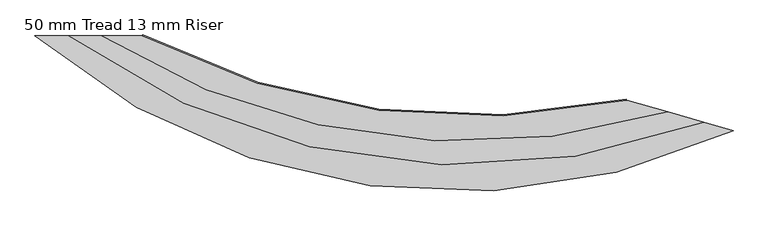
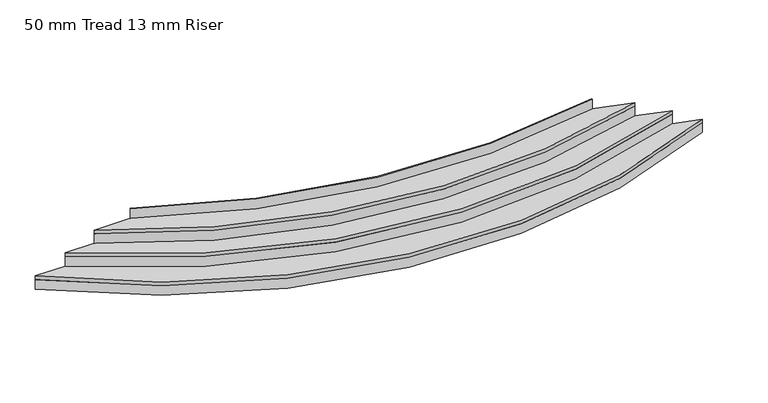
"""IFC4 building model written with IfcOpenShell, lengths in millimetres: stair flight geometry, 50 mm Tread 13 mm Riser."""

from ifc_helpers import new_model, si_unit, point, frame, frame_2d, origin, origin_with_axes, place, context, project, spatial, polyline, circle_curve, trimmed, segment, composite_curve, outline, extrude, source, transform, mapped, element, save


def stair_flight_50_mm_tread_13_mm_riser_0b162873(model_context):
    return source(origin(), model_context, "Body", "SweptSolid", [
        extrude(outline(composite_curve([segment(trimmed(circle_curve(frame_2d((134687.8478941, -28964.3638928)), 7686.4935283), [point((129705.6073516, -34817.5221802))], [point((137928.9652164, -35934.1085986))], True, "CARTESIAN"), True, "CONTINUOUS"), segment(polyline([(137928.9652164, -35934.1085986), (137947.2827682, -35939.361072)]), True, "CONTINUOUS"), segment(trimmed(circle_curve(frame_2d((134687.8478941, -28964.3638928)), 7698.9935283), [point((137947.2827682, -35939.361072))], [point((129686.3441791, -34817.5221802))], False, "CARTESIAN"), True, "CONTINUOUS"), segment(polyline([(129686.3441791, -34817.5221802), (129705.6073516, -34817.5221802)]), True, "CONTINUOUS")], self_intersect=False)), origin_with_axes(), (0.0, 0.0, 1.0), 135.1851852),
        extrude(outline(composite_curve([segment(trimmed(circle_curve(frame_2d((134797.9514044, -28323.7965634)), 8022.9492727), [point((130086.3441791, -34817.5221802))], [point((137602.6460398, -35840.5380804))], True, "CARTESIAN"), True, "CONTINUOUS"), segment(polyline([(137602.6460398, -35840.5380804), (137947.2827682, -35939.361072)]), True, "CONTINUOUS"), segment(trimmed(circle_curve(frame_2d((134687.8478941, -28964.3638928)), 7698.9935283), [point((137947.2827682, -35939.361072))], [point((129686.3441791, -34817.5221802))], False, "CARTESIAN"), True, "CONTINUOUS"), segment(polyline([(129686.3441791, -34817.5221802), (130086.3441791, -34817.5221802)]), True, "CONTINUOUS")], self_intersect=False)), frame((0.0, 0.0, 135.1851852), z_axis=(0.0, 0.0, 1.0), x_axis=(1.0, 0.0, 0.0)), (0.0, 0.0, 1.0), 50.0),
        extrude(outline(composite_curve([segment(trimmed(circle_curve(frame_2d((134797.9514044, -28323.7965634)), 8010.4492727), [point((130107.6608842, -34817.5221802))], [point((137582.3982882, -35834.732131))], True, "CARTESIAN"), True, "CONTINUOUS"), segment(polyline([(137582.3982882, -35834.732131), (137602.6460398, -35840.5380804)]), True, "CONTINUOUS"), segment(trimmed(circle_curve(frame_2d((134797.9514044, -28323.7965634)), 8022.9492727), [point((137602.6460398, -35840.5380804))], [point((130086.3441791, -34817.5221802))], False, "CARTESIAN"), True, "CONTINUOUS"), segment(polyline([(130086.3441791, -34817.5221802), (130107.6608842, -34817.5221802)]), True, "CONTINUOUS")], self_intersect=False)), frame((0.0, 0.0, 135.1851852), z_axis=(0.0, 0.0, 1.0), x_axis=(1.0, 0.0, 0.0)), (0.0, 0.0, 1.0), 185.1851852),
        extrude(outline(composite_curve([segment(trimmed(circle_curve(frame_2d((134809.8285129, -27923.8804808)), 8142.9623112), [point((130475.5997094, -34817.5221802))], [point((137171.3966955, -35716.8793208))], True, "CARTESIAN"), True, "CONTINUOUS"), segment(polyline([(137171.3966955, -35716.8793208), (137602.6460398, -35840.5380804)]), True, "CONTINUOUS"), segment(trimmed(circle_curve(frame_2d((134797.9514044, -28323.7965634)), 8022.9492727), [point((137602.6460398, -35840.5380804))], [point((130086.3441791, -34817.5221802))], False, "CARTESIAN"), True, "CONTINUOUS"), segment(polyline([(130086.3441791, -34817.5221802), (130475.5997094, -34817.5221802)]), True, "CONTINUOUS")], self_intersect=False)), frame((0.0, 0.0, 320.3703704), z_axis=(0.0, 0.0, 1.0), x_axis=(1.0, 0.0, 0.0)), (0.0, 0.0, 1.0), 50.0),
        extrude(outline(composite_curve([segment(trimmed(circle_curve(frame_2d((134809.8285129, -27923.8804808)), 8130.4623112), [point((130499.1300181, -34817.5221802))], [point((137149.2097072, -35710.5173043))], True, "CARTESIAN"), True, "CONTINUOUS"), segment(polyline([(137149.2097072, -35710.5173043), (137171.3966955, -35716.8793208)]), True, "CONTINUOUS"), segment(trimmed(circle_curve(frame_2d((134809.8285129, -27923.8804808)), 8142.9623112), [point((137171.3966955, -35716.8793208))], [point((130475.5997094, -34817.5221802))], False, "CARTESIAN"), True, "CONTINUOUS"), segment(polyline([(130475.5997094, -34817.5221802), (130499.1300181, -34817.5221802)]), True, "CONTINUOUS")], self_intersect=False)), frame((0.0, 0.0, 320.3703704), z_axis=(0.0, 0.0, 1.0), x_axis=(1.0, 0.0, 0.0)), (0.0, 0.0, 1.0), 185.1851852),
        extrude(outline(composite_curve([segment(trimmed(circle_curve(frame_2d((134882.5869216, -27200.3634438)), 8557.2895198), [point((130961.4603153, -34806.4116991))], [point((136684.4764471, -35565.7921874))], True, "CARTESIAN"), True, "CONTINUOUS"), segment(polyline([(136684.4764471, -35565.7921874), (136687.1085445, -35578.0119281)]), True, "CONTINUOUS"), segment(trimmed(circle_curve(frame_2d((134882.5869216, -27200.3634438)), 8569.7895198), [point((136687.1085445, -35578.0119281))], [point((130955.7325574, -34817.5221802))], False, "CARTESIAN"), True, "CONTINUOUS"), segment(polyline([(130955.7325574, -34817.5221802), (130961.4603153, -34806.4116991)]), True, "CONTINUOUS")], self_intersect=False)), frame((0.0, 0.0, 505.5555556), z_axis=(0.0, 0.0, 1.0), x_axis=(1.0, 0.0, 0.0)), (0.0, 0.0, 1.0), 185.1851852),
        extrude(outline(composite_curve([segment(trimmed(circle_curve(frame_2d((134882.5869216, -27200.3634438)), 8569.7895198), [point((130955.7325574, -34817.5221802))], [point((136687.1085445, -35578.0119281))], True, "CARTESIAN"), True, "CONTINUOUS"), segment(polyline([(136687.1085445, -35578.0119281), (137171.3966955, -35716.8793208)]), True, "CONTINUOUS"), segment(trimmed(circle_curve(frame_2d((134809.8285129, -27923.8804808)), 8142.9623112), [point((137171.3966955, -35716.8793208))], [point((130475.5997094, -34817.5221802))], False, "CARTESIAN"), True, "CONTINUOUS"), segment(polyline([(130475.5997094, -34817.5221802), (130955.7325574, -34817.5221802)]), True, "CONTINUOUS")], self_intersect=False)), frame((0.0, 0.0, 505.5555556), z_axis=(0.0, 0.0, 1.0), x_axis=(1.0, 0.0, 0.0)), (0.0, 0.0, 1.0), 50.0),
    ])


if __name__ == "__main__":
    model = new_model("IFC4")
    model_context = context("Model", 3, world=origin())
    ifc_project = project(units=[si_unit("LENGTHUNIT", "METRE", prefix="MILLI")], contexts=[model_context])
    site = spatial("IfcSite", under=ifc_project)
    building = spatial("IfcBuilding", under=site)
    placement = place(None, origin())
    stair_flight_50_mm_tread_13_mm_riser_shape = stair_flight_50_mm_tread_13_mm_riser_0b162873(model_context)
    element("IfcStairFlight", 1, ObjectType="50 mm Tread 13 mm Riser", at=placement, inside=building, context=model_context, shape_type="MappedRepresentation", body=[
        mapped(stair_flight_50_mm_tread_13_mm_riser_shape, transform((0.0, 0.0, 0.0), x_axis=(1.0, 0.0, 0.0), y_axis=(0.0, 1.0, 0.0), z_axis=(0.0, 0.0, 1.0))),
    ])
    save(model, "model.ifc")
